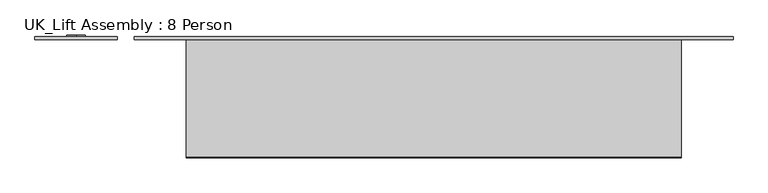
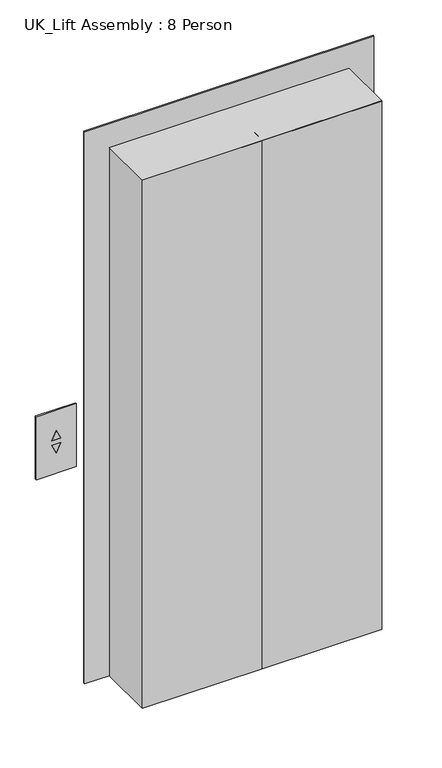
"""IFC4 building model written with IfcOpenShell, lengths in millimetres: proxy geometry, UK_Lift Assembly : 8 Person."""

from ifc_helpers import new_model, si_unit, frame, origin, origin_with_axes, place, context, project, spatial, polyline, outline, extrude, faceted_brep, source, transform, mapped, element, save


def uk_lift_assembly_8_person_f5114b56(model_context):
    return source(origin(), model_context, "Body", "SolidModel", [
        extrude(outline(polyline([(875.0, -975.0), (875.0, -825.0), (1125.0, -825.0), (1125.0, -975.0), (875.0, -975.0)]), holes=[polyline([(1008.7476885, -883.0952695), (1008.7476885, -916.9047305), (1045.0, -900.0), (1008.7476885, -883.0952695)]), polyline([(991.2523115, -883.0952695), (955.0, -900.0), (991.2523115, -916.9047305), (991.2523115, -883.0952695)])]), frame((0.0, 82.5, 0.0), z_axis=(0.0, 1.0, 0.0), x_axis=(0.0, 0.0, 1.0)), (0.0, 0.0, 1.0), 6.0),
        faceted_brep([(294.0, 88.5, 0.0), (294.0, 82.5, 0.0), (200.0, 82.5, 0.0), (200.0, -130.5, 0.0), (194.0, -130.5, 0.0), (194.0, 88.5, 0.0), (294.0, 88.5, 2194.0), (294.0, 82.5, 2194.0), (-794.0, 82.5, 2194.0), (-794.0, 82.5, 0.0), (-700.0, 82.5, 0.0), (-700.0, 82.5, 2100.0), (200.0, 82.5, 2100.0), (200.0, -130.5, 2100.0), (-700.0, -130.5, 2100.0), (-700.0, -130.5, 0.0), (-694.0, -130.5, 0.0), (-694.0, -130.5, 2094.0), (194.0, -130.5, 2094.0), (194.0, 88.5, 2094.0), (-694.0, 88.5, 2094.0), (-694.0, 88.5, 0.0), (-794.0, 88.5, 0.0), (-794.0, 88.5, 2194.0)], [[[0, 1, 2, 3, 4, 5]], [[1, 0, 6, 7]], [[2, 1, 7, 8, 9, 10, 11, 12]], [[3, 2, 12, 13]], [[4, 3, 13, 14, 15, 16, 17, 18]], [[5, 4, 18, 19]], [[0, 5, 19, 20, 21, 22, 23, 6]], [[7, 6, 23, 8]], [[13, 12, 11, 14]], [[19, 18, 17, 20]], [[22, 21, 16, 15, 10, 9]], [[8, 23, 22, 9]], [[14, 11, 10, 15]], [[20, 17, 16, 21]]]),
        extrude(outline(polyline([(200.0, -132.5), (-249.0, -132.5), (-249.0, -82.5), (200.0, -82.5), (200.0, -132.5)])), origin_with_axes(), (0.0, 0.0, 1.0), 2100.0),
        extrude(outline(polyline([(-250.0, -132.5), (-700.0, -132.5), (-700.0, -82.5), (-250.0, -82.5), (-250.0, -132.5)])), origin_with_axes(), (0.0, 0.0, 1.0), 2100.0),
        extrude(outline(polyline([(1008.7476885, -883.0952695), (1045.0, -900.0), (1008.7476885, -916.9047305), (1008.7476885, -883.0952695)])), frame((0.0, 82.5, 0.0), z_axis=(0.0, 1.0, 0.0), x_axis=(0.0, 0.0, 1.0)), (0.0, 0.0, 1.0), 9.0),
        extrude(outline(polyline([(991.2523115, -883.0952695), (991.2523115, -916.9047305), (955.0, -900.0), (991.2523115, -883.0952695)])), frame((0.0, 82.5, 0.0), z_axis=(0.0, 1.0, 0.0), x_axis=(0.0, 0.0, 1.0)), (0.0, 0.0, 1.0), 9.0),
    ])


if __name__ == "__main__":
    model = new_model("IFC4")
    model_context = context("Model", 3, world=origin())
    ifc_project = project(units=[si_unit("LENGTHUNIT", "METRE", prefix="MILLI")], contexts=[model_context])
    site = spatial("IfcSite", under=ifc_project)
    building = spatial("IfcBuilding", under=site)
    placement = place(None, origin())
    uk_lift_assembly_8_person_shape = uk_lift_assembly_8_person_f5114b56(model_context)
    element("IfcBuildingElementProxy", 1, Name="UK_Lift Assembly : 8 Person", ObjectType="UK_Lift Assembly : 8 Person", at=placement, inside=building, context=model_context, shape_type="MappedRepresentation", body=[
        mapped(uk_lift_assembly_8_person_shape, transform((0.0, 0.0, 0.0), x_axis=(1.0, 0.0, 0.0), y_axis=(0.0, 1.0, 0.0), z_axis=(0.0, 0.0, 1.0))),
    ])
    save(model, "model.ifc")
